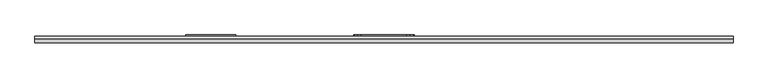
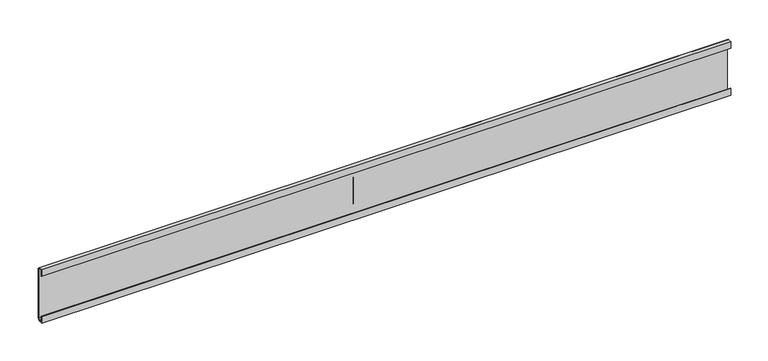
"""IFC4 building model written with IfcOpenShell, lengths in millimetres: furniture geometry."""

from ifc_helpers import new_model, si_unit, frame, origin, place, context, project, spatial, polyline, outline, extrude, source, transform, mapped, element, save


def furniture_0e929c9d(model_context):
    return source(origin(), model_context, "Body", "SweptSolid", [
        extrude(outline(polyline([(79.1082979, -45.7707891), (36.5379017, -45.7707891), (30.9753029, -44.2802914), (26.903195, -40.2081925), (25.4127019, -34.645596), (25.4127019, 34.645596), (26.903195, 40.2081925), (30.9753029, 44.2802914), (36.5379017, 45.7707891), (79.1082979, 45.7707891), (84.6709035, 44.2802914), (88.7430114, 40.2081925), (90.2335, 34.645596), (90.2335, -34.645596), (88.7430114, -40.2081925), (84.6709035, -44.2802914), (79.1082979, -45.7707891)])), frame((0.0, 39.0921875, 0.0), z_axis=(0.0, 1.0, 0.0), x_axis=(0.0, 0.0, 1.0)), (0.0, 0.0, 1.0), 2.309816),
        extrude(outline(polyline([(-225.7298, 39.0921875), (-301.9298, 39.0921875), (-301.9298, 41.4020035), (-225.7298, 41.4020035), (-225.7298, 39.0921875)])), frame((0.0, 0.0, 35.433), z_axis=(0.0, 0.0, 1.0), x_axis=(1.0, 0.0, 0.0)), (0.0, 0.0, 1.0), 48.26),
        extrude(outline(polyline([(29.5671875, 104.2233438), (35.9171874, 104.2233438), (39.0921875, 101.0285018), (39.0921875, 20.3835004), (35.917184, 17.2085), (29.5671875, 17.2085), (29.5671875, 28.0035022), (30.3609375, 28.0035022), (30.3609375, 18.0022534), (35.9171874, 18.0022534), (38.2984375, 20.3835035), (38.2984375, 101.0284987), (35.9171874, 103.4295938), (30.3609375, 103.4295938), (30.3609375, 93.4085), (29.5671875, 93.4085), (29.5671875, 104.2233438)])), frame((-532.209375, 0.0, 0.0), z_axis=(1.0, 0.0, 0.0), x_axis=(0.0, 1.0, 0.0)), (0.0, 0.0, 1.0), 1064.41875),
    ])


if __name__ == "__main__":
    model = new_model("IFC4")
    model_context = context("Model", 3, world=origin())
    ifc_project = project(units=[si_unit("LENGTHUNIT", "METRE", prefix="MILLI")], contexts=[model_context])
    site = spatial("IfcSite", under=ifc_project)
    building = spatial("IfcBuilding", under=site)
    placement = place(None, origin())
    furniture_shape = furniture_0e929c9d(model_context)
    element("IfcFurniture", 1, at=placement, inside=building, context=model_context, shape_type="MappedRepresentation", body=[
        mapped(furniture_shape, transform((0.0, 0.0, 0.0), x_axis=(1.0, 0.0, 0.0), y_axis=(0.0, 1.0, 0.0), z_axis=(0.0, 0.0, 1.0))),
    ])
    save(model, "model.ifc")
